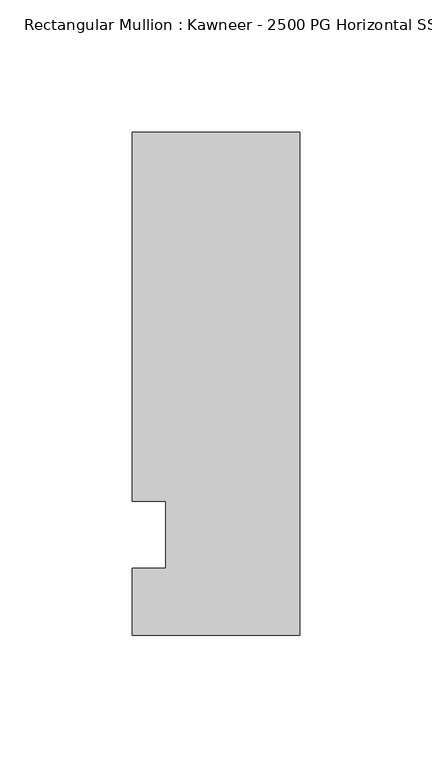
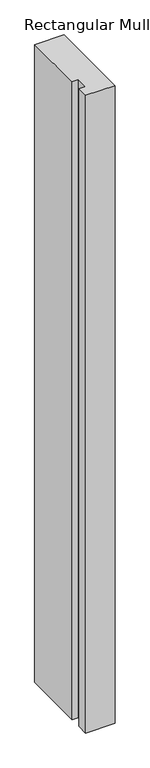
"""IFC4 building model written with IfcOpenShell, lengths in millimetres: member geometry, Rectangular Mullion : Kawneer - 2500 PG Horizontal SSG - Mullion_Sill."""

from ifc_helpers import new_model, si_unit, frame, origin, place, context, project, spatial, polyline, outline, extrude, source, transform, mapped, element, save


def rectangular_mullion_kawneer_2500_pg_horizontal_ssg_mullion_35ca88fe(model_context):
    return source(origin(), model_context, "Body", "SweptSolid", [
        extrude(outline(polyline([(0.0, -95.25), (-63.5, -95.25), (-63.5, -69.8500171), (-50.8, -69.8500171), (-50.8, -44.4499829), (-63.5, -44.4499829), (-63.5, 95.25), (0.0, 95.25), (0.0, -95.25)])), frame((0.0, 0.0, -1451.5050876), z_axis=(0.0, 0.0, 1.0), x_axis=(1.0, 0.0, 0.0)), (0.0, 0.0, 1.0), 1451.5050876),
    ])


if __name__ == "__main__":
    model = new_model("IFC4")
    model_context = context("Model", 3, world=origin())
    ifc_project = project(units=[si_unit("LENGTHUNIT", "METRE", prefix="MILLI")], contexts=[model_context])
    site = spatial("IfcSite", under=ifc_project)
    building = spatial("IfcBuilding", under=site)
    placement = place(None, origin())
    rectangular_mullion_kawneer_2500_pg_horizontal_ssg_mullion_shape = rectangular_mullion_kawneer_2500_pg_horizontal_ssg_mullion_35ca88fe(model_context)
    element("IfcMember", 1, ObjectType="Rectangular Mullion : Kawneer - 2500 PG Horizontal SSG - Mullion_Sill", at=placement, inside=building, context=model_context, shape_type="MappedRepresentation", body=[
        mapped(rectangular_mullion_kawneer_2500_pg_horizontal_ssg_mullion_shape, transform((0.0, 0.0, 0.0), x_axis=(1.0, 0.0, 0.0), y_axis=(0.0, 1.0, 0.0), z_axis=(0.0, 0.0, 1.0))),
    ])
    save(model, "model.ifc")
